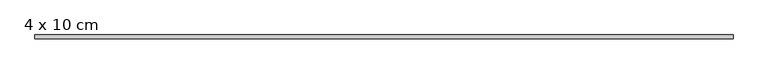
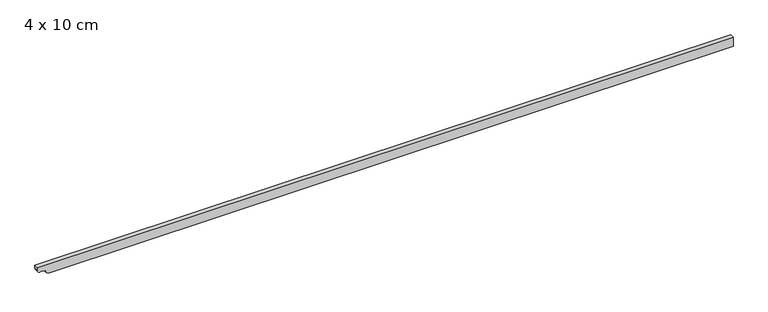
"""IFC4 building model written with IfcOpenShell, lengths in millimetres: beam geometry, 4 x 10 cm."""

import ifcopenshell
import ifcopenshell.guid

model = None  # the IFC model being written
_history = None  # IfcOwnerHistory: only IFC2X3 demands one
_inside = {}  # id of a spatial element -> (the spatial element, [elements in it])
_under = {}  # id of a project, library or spatial element -> (it, [spatial elements below it])
_declared = {}  # id of a project -> (the project, [libraries it declares])
_typed = {}  # id of a type object -> (the type object, [elements of that type])
_made_of = {}  # id of a material, layer set ... -> (it, [elements and type objects made of it])


def new_model(schema):
    """Start an empty IFC model of exactly this schema.

    Asked for "IFC4X3", IfcOpenShell would pick the latest addendum, in which some entities
    have other attributes; the version numbers below select the first issue.
    IFC2X3 requires an IfcOwnerHistory on every rooted entity: one is made here for all.
    """
    global model, _history
    if schema == "IFC4X3":
        model = ifcopenshell.file(schema_version=(4, 3, 0, 0))
    else:
        model = ifcopenshell.file(schema=schema)
    _inside.clear()
    _under.clear()
    _declared.clear()
    _typed.clear()
    _made_of.clear()
    _history = None
    if model.schema == "IFC2X3":
        org = make("IfcOrganization", Name="unknown")
        user = make(
            "IfcPersonAndOrganization",
            ThePerson=make("IfcPerson", FamilyName="unknown"),
            TheOrganization=org,
        )
        app = make(
            "IfcApplication",
            ApplicationDeveloper=org,
            Version="unknown",
            ApplicationFullName="unknown",
            ApplicationIdentifier="unknown",
        )
        _history = make(
            "IfcOwnerHistory",
            OwningUser=user,
            OwningApplication=app,
            ChangeAction="ADDED",
            CreationDate=0,
        )
    return model


def make(cls, **values):
    """One entity of the class cls with the attributes given. An attribute that is None is left unset."""
    return model.create_entity(
        cls, **{name: value for name, value in values.items() if value is not None}
    )


def rooted(cls, **values):
    """An entity with a GlobalId (a new one), such as an element, a storey or a relation."""
    return make(cls, GlobalId=ifcopenshell.guid.new(), OwnerHistory=_history, **values)


def si_unit(unit_type, name, prefix=None):
    """IfcSIUnit, for example si_unit("LENGTHUNIT", "METRE", prefix="MILLI")."""
    return make("IfcSIUnit", UnitType=unit_type, Prefix=prefix, Name=name)


def assignment(units):
    """IfcUnitAssignment: the units of a project."""
    return None if units is None else make("IfcUnitAssignment", Units=units)


def point(xyz):
    """IfcCartesianPoint."""
    return None if xyz is None else make("IfcCartesianPoint", Coordinates=xyz)


def direction(xyz):
    """IfcDirection."""
    return None if xyz is None else make("IfcDirection", DirectionRatios=xyz)


def frame(location, z_axis=None, x_axis=None):
    """IfcAxis2Placement3D, a coordinate frame: its origin and axes. An axis left out is left unset."""
    return make(
        "IfcAxis2Placement3D",
        Location=point(location),
        Axis=direction(z_axis),
        RefDirection=direction(x_axis),
    )


def frame_2d(location, x_axis=None):
    """IfcAxis2Placement2D, a coordinate frame in the plane: its origin and x axis."""
    return make(
        "IfcAxis2Placement2D", Location=point(location), RefDirection=direction(x_axis)
    )


def origin():
    """The frame at (0, 0, 0) with its axes left unset."""
    return frame((0.0, 0.0, 0.0))


def place(relative_to, where):
    """IfcLocalPlacement: puts the frame where relative to a parent placement (None: the world)."""
    return make(
        "IfcLocalPlacement", PlacementRelTo=relative_to, RelativePlacement=where
    )


def context(
    kind, dimensions, precision=None, world=None, true_north=None, identifier=None
):
    """IfcGeometricRepresentationContext, for example the 3D "Model" context."""
    return make(
        "IfcGeometricRepresentationContext",
        ContextIdentifier=identifier,
        ContextType=kind,
        CoordinateSpaceDimension=dimensions,
        Precision=precision,
        WorldCoordinateSystem=world,
        TrueNorth=true_north,
    )


def project(units=None, contexts=None):
    """IfcProject with its units and contexts."""
    return rooted(
        "IfcProject",
        Name="project",
        RepresentationContexts=contexts,
        UnitsInContext=assignment(units),
    )


def spatial(cls, under=None, at=None, **own):
    """A site, building, storey or space (cls), placed at a placement, below another one or the project."""
    s = rooted(cls, ObjectPlacement=at, **own)
    if under is not None:
        _under.setdefault(under.id(), (under, []))[1].append(s)
    return s


def polyline(points):
    """IfcPolyline through the points."""
    return make("IfcPolyline", Points=[point(p) for p in points])


def circle_curve(where, radius):
    """IfcCircle in the frame where."""
    return make("IfcCircle", Position=where, Radius=radius)


def trimmed(basis, trim1, trim2, sense, master):
    """IfcTrimmedCurve: the piece of a basis curve between two trims."""
    return make(
        "IfcTrimmedCurve",
        BasisCurve=basis,
        Trim1=trim1,
        Trim2=trim2,
        SenseAgreement=sense,
        MasterRepresentation=master,
    )


def segment(curve, same_sense, transition):
    """IfcCompositeCurveSegment."""
    return make(
        "IfcCompositeCurveSegment",
        Transition=transition,
        SameSense=same_sense,
        ParentCurve=curve,
    )


def composite_curve(segments, self_intersect=None):
    """IfcCompositeCurve: segments joined end to end."""
    return make("IfcCompositeCurve", Segments=segments, SelfIntersect=self_intersect)


def outline(outer, holes=None, kind="AREA"):
    """IfcArbitraryClosedProfileDef: a profile drawn as a closed curve; with holes, ...WithVoids."""
    if holes is None:
        return make("IfcArbitraryClosedProfileDef", ProfileType=kind, OuterCurve=outer)
    return make(
        "IfcArbitraryProfileDefWithVoids",
        ProfileType=kind,
        OuterCurve=outer,
        InnerCurves=holes,
    )


def extrude(swept, where, along, depth):
    """IfcExtrudedAreaSolid: the profile swept, set in the frame where, extruded along a direction by depth."""
    return make(
        "IfcExtrudedAreaSolid",
        SweptArea=swept,
        Position=where,
        ExtrudedDirection=direction(along),
        Depth=depth,
    )


def shape(context_of_items, identifier, shape_type, items):
    """IfcShapeRepresentation: the items that make up one representation, for example the "Body"."""
    return make(
        "IfcShapeRepresentation",
        ContextOfItems=context_of_items,
        RepresentationIdentifier=identifier,
        RepresentationType=shape_type,
        Items=items,
    )


def source(mapping_origin, context_of_items, identifier, shape_type, items):
    """IfcRepresentationMap: a shape defined once, which mapped items show again and again."""
    return make(
        "IfcRepresentationMap",
        MappingOrigin=mapping_origin,
        MappedRepresentation=shape(context_of_items, identifier, shape_type, items),
    )


def transform(
    local_origin,
    x_axis=None,
    y_axis=None,
    z_axis=None,
    scale=None,
    scale2=None,
    scale3=None,
    uniform=True,
):
    """IfcCartesianTransformationOperator3D, or its non-uniform kind. x_axis, y_axis, z_axis: its Axis1, 2, 3."""
    if uniform:
        return make(
            "IfcCartesianTransformationOperator3D",
            Axis1=direction(x_axis),
            Axis2=direction(y_axis),
            LocalOrigin=point(local_origin),
            Scale=scale,
            Axis3=direction(z_axis),
        )
    return make(
        "IfcCartesianTransformationOperator3DnonUniform",
        Axis1=direction(x_axis),
        Axis2=direction(y_axis),
        LocalOrigin=point(local_origin),
        Scale=scale,
        Axis3=direction(z_axis),
        Scale2=scale2,
        Scale3=scale3,
    )


def mapped(mapping_source, mapping_target):
    """IfcMappedItem: shows the shape of a source again, moved by a transform."""
    return make(
        "IfcMappedItem", MappingSource=mapping_source, MappingTarget=mapping_target
    )


def made_of(thing, what):
    """Note that an element or type object is made of a material, layer set ...; save() writes the relation."""
    if what is not None:
        _made_of.setdefault(what.id(), (what, []))[1].append(thing)
    return thing


def element(
    cls,
    number,
    at=None,
    inside=None,
    cuts=None,
    type_object=None,
    material=None,
    context=None,
    identifier="Body",
    shape_type=None,
    held_by="IfcProductDefinitionShape",
    body=None,
    shapes=None,
    **own,
):
    """One element of the class cls, such as IfcWall. Its Tag is "e" and its number.

    at: its placement. inside: the storey or other place that contains it. cuts: it is an
    opening in that element (IfcRelVoidsElement). A single representation is given by context,
    identifier, shape_type and body (its items); several are given by shapes. held_by: the class
    of the entity that holds the representations. save() writes the other relations.
    """
    e = rooted(cls, Tag="e%d" % number, ObjectPlacement=at, **own)
    if body is not None:
        shapes = [shape(context, identifier, shape_type, body)]
    if shapes is not None:
        e.Representation = make(held_by, Representations=shapes)
    if inside is not None:
        _inside.setdefault(inside.id(), (inside, []))[1].append(e)
    if cuts is not None:
        rooted(
            "IfcRelVoidsElement", RelatingBuildingElement=cuts, RelatedOpeningElement=e
        )
    if type_object is not None:
        _typed.setdefault(type_object.id(), (type_object, []))[1].append(e)
    return made_of(e, material)


def aggregate(whole, parts):
    """IfcRelAggregates: a whole, such as a stair, and the parts it consists of."""
    return rooted("IfcRelAggregates", RelatingObject=whole, RelatedObjects=parts)


def save(model, path):
    """Write the relations noted so far, then the file.

    IfcRelAggregates (storeys below a building ...), IfcRelContainedInSpatialStructure (elements
    in a storey), IfcRelDefinesByType, IfcRelAssociatesMaterial and IfcRelDeclares: one each for
    every whole, place, type object, material and project.
    """
    for whole, parts in _under.values():
        aggregate(whole, parts)
    for where, things in _inside.values():
        rooted(
            "IfcRelContainedInSpatialStructure",
            RelatedElements=things,
            RelatingStructure=where,
        )
    for kind, things in _typed.values():
        rooted("IfcRelDefinesByType", RelatedObjects=things, RelatingType=kind)
    for what, things in _made_of.values():
        rooted("IfcRelAssociatesMaterial", RelatedObjects=things, RelatingMaterial=what)
    for by, libraries in _declared.values():
        rooted("IfcRelDeclares", RelatingContext=by, RelatedDefinitions=libraries)
    model.write(path)


def beam_4_x_10_cm_192fbec6(model_context):
    return source(origin(), model_context, "Body", "SweptSolid", [
        extrude(outline(composite_curve([segment(polyline([(50.0, 3602.4959541), (50.0, -3692.689541), (22.5, -3692.689541)]), True, "CONTINUOUS"), segment(trimmed(circle_curve(frame_2d((22.5, -3660.189541)), 32.5), [point((22.5, -3692.689541))], [point((-10.0, -3660.189541))], False, "CARTESIAN"), True, "CONTINUOUS"), segment(polyline([(-10.0, -3660.189541), (-10.0, -3629.1793358)]), True, "CONTINUOUS"), segment(trimmed(circle_curve(frame_2d((-40.0, -3629.1793358)), 30.0), [point((-10.0, -3629.1793358))], [point((-34.0, -3599.7854589))], True, "CARTESIAN"), True, "CONTINUOUS"), segment(trimmed(circle_curve(frame_2d((-3.1535049, -3560.4345537)), 50.0), [point((-34.0, -3599.7854589))], [point((-53.1535049, -3560.4345537))], False, "CARTESIAN"), True, "CONTINUOUS"), segment(polyline([(-53.1535049, -3560.4345537), (-53.1535049, 3602.4959541), (50.0, 3602.4959541)]), True, "CONTINUOUS")], self_intersect=False)), frame((0.0, -20.0, 0.0), z_axis=(0.0, 1.0, 0.0), x_axis=(0.0, 0.0, 1.0)), (0.0, 0.0, 1.0), 40.0),
    ])


if __name__ == "__main__":
    model = new_model("IFC4")
    model_context = context("Model", 3, world=origin())
    ifc_project = project(units=[si_unit("LENGTHUNIT", "METRE", prefix="MILLI")], contexts=[model_context])
    site = spatial("IfcSite", under=ifc_project)
    building = spatial("IfcBuilding", under=site)
    placement = place(None, origin())
    beam_4_x_10_cm_shape = beam_4_x_10_cm_192fbec6(model_context)
    element("IfcBeam", 1, ObjectType="4 x 10 cm", at=placement, inside=building, context=model_context, shape_type="MappedRepresentation", body=[
        mapped(beam_4_x_10_cm_shape, transform((0.0, 0.0, 0.0), x_axis=(1.0, 0.0, 0.0), y_axis=(0.0, 1.0, 0.0), z_axis=(0.0, 0.0, 1.0))),
    ])
    save(model, "model.ifc")
